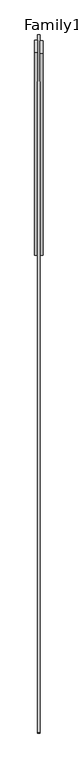
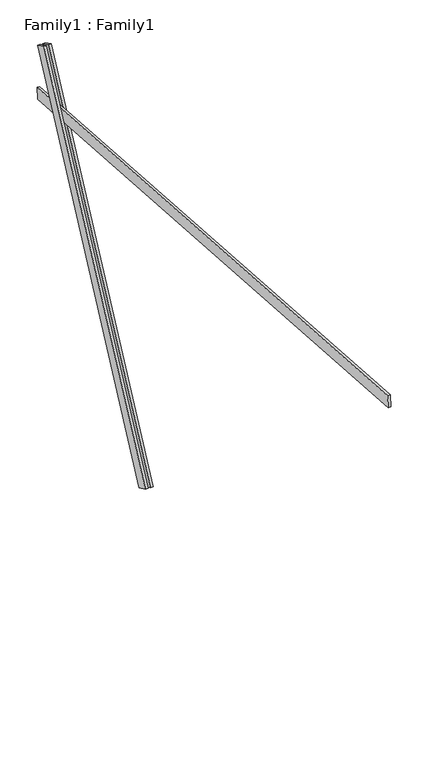
"""IFC4 building model written with IfcOpenShell, lengths in millimetres: proxy geometry, Family1 : Family1."""

from ifc_helpers import new_model, si_unit, frame, origin, place, context, project, spatial, polyline, outline, extrude, source, transform, mapped, element, save


def family1_family1_61b15048(model_context):
    return source(origin(), model_context, "Body", "SweptSolid", [
        extrude(outline(polyline([(0.0, 0.0), (0.0, -20.0), (-100.0000001, -20.0), (-100.0000001, 0.0), (0.0, 0.0)])), frame((-30.0, 46.3241747, -22.5938096), z_axis=(0.0, 0.4383711467890692, 0.8987940462991711), x_axis=(0.0, 0.8987940462991711, -0.4383711467890692)), (0.0, 0.0, 1.0), 3300.0),
        extrude(outline(polyline([(0.0, 0.0), (0.0, -20.0), (-99.9999999, -20.0), (-99.9999999, 0.0), (0.0, 0.0)])), frame((10.0, 45.270232, -22.0797674), z_axis=(0.0, 0.4383711467890692, 0.8987940462991711), x_axis=(0.0, 0.8987940462991711, -0.4383711467890692)), (0.0, 0.0, 1.0), 3300.0),
        extrude(outline(polyline([(0.0, -20.0), (0.0, 0.0), (5000.0, 0.0), (5000.0, -20.0), (0.0, -20.0)])), frame((-10.0, -3462.8663358, 2794.4793487), z_axis=(0.0, 0.06975647374412763, 0.9975640502598241), x_axis=(0.0, 0.9975640502598241, -0.06975647374412763)), (0.0, 0.0, 1.0), 100.0),
    ])


if __name__ == "__main__":
    model = new_model("IFC4")
    model_context = context("Model", 3, world=origin())
    ifc_project = project(units=[si_unit("LENGTHUNIT", "METRE", prefix="MILLI")], contexts=[model_context])
    site = spatial("IfcSite", under=ifc_project)
    building = spatial("IfcBuilding", under=site)
    placement = place(None, origin())
    family1_family1_shape = family1_family1_61b15048(model_context)
    element("IfcBuildingElementProxy", 1, Name="Family1 : Family1", ObjectType="Family1 : Family1", at=placement, inside=building, context=model_context, shape_type="MappedRepresentation", body=[
        mapped(family1_family1_shape, transform((0.0, 0.0, 0.0), x_axis=(1.0, 0.0, 0.0), y_axis=(0.0, 1.0, 0.0), z_axis=(0.0, 0.0, 1.0))),
    ])
    save(model, "model.ifc")
